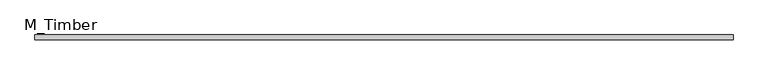
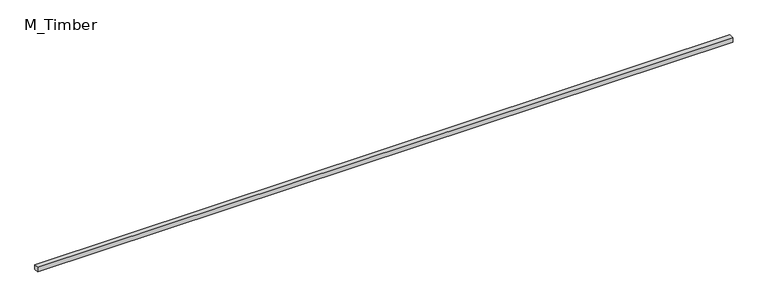
"""IFC4 building model written with IfcOpenShell, lengths in millimetres: beam geometry, M_Timber."""

from ifc_helpers import new_model, si_unit, frame, origin, place, context, project, spatial, polyline, outline, extrude, source, transform, mapped, element, save


def m_timber_338cd7c9(model_context):
    return source(origin(), model_context, "Body", "SweptSolid", [
        extrude(outline(polyline([(2933.6667276, 20.0), (2933.6667276, -20.0), (-2933.6667276, -20.0), (-2933.6667276, 20.0), (2933.6667276, 20.0)])), frame((0.0, 0.0, -20.0), z_axis=(0.0, 0.0, 1.0), x_axis=(1.0, 0.0, 0.0)), (0.0, 0.0, 1.0), 40.0),
    ])


if __name__ == "__main__":
    model = new_model("IFC4")
    model_context = context("Model", 3, world=origin())
    ifc_project = project(units=[si_unit("LENGTHUNIT", "METRE", prefix="MILLI")], contexts=[model_context])
    site = spatial("IfcSite", under=ifc_project)
    building = spatial("IfcBuilding", under=site)
    placement = place(None, origin())
    m_timber_shape = m_timber_338cd7c9(model_context)
    element("IfcBeam", 1, ObjectType="M_Timber", at=placement, inside=building, context=model_context, shape_type="MappedRepresentation", body=[
        mapped(m_timber_shape, transform((0.0, 0.0, 0.0), x_axis=(1.0, 0.0, 0.0), y_axis=(0.0, 1.0, 0.0), z_axis=(0.0, 0.0, 1.0))),
    ])
    save(model, "model.ifc")
